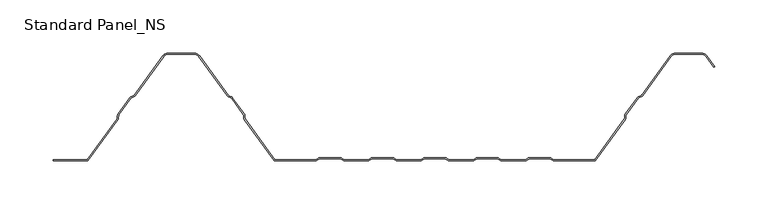
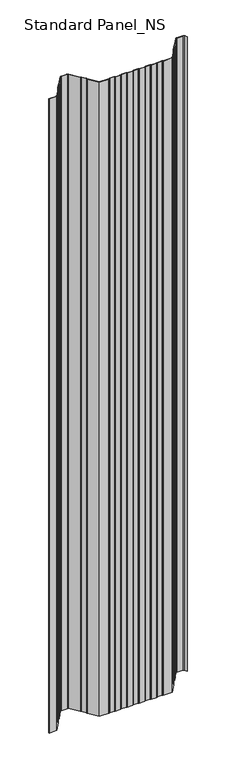
"""IFC4 building model written with IfcOpenShell, lengths in millimetres: proxy geometry, Standard Panel_NS."""

from ifc_helpers import new_model, si_unit, point, frame, frame_2d, origin, place, context, project, spatial, polyline, circle_curve, trimmed, segment, composite_curve, outline, extrude, source, transform, mapped, element, save


def standard_panel_ns_9eb97609(model_context):
    return source(origin(), model_context, "Body", "SweptSolid", [
        extrude(outline(composite_curve([segment(polyline([(-266.0101621, 1.0), (-238.1786697, 39.3882654)]), True, "CONTINUOUS"), segment(trimmed(circle_curve(frame_2d((-239.5943584, 40.4146398)), 1.7486049), [point((-238.1786697, 39.3882654))], [point((-237.8471041, 40.3459275))], True, "CARTESIAN"), True, "CONTINUOUS"), segment(polyline([(-237.8471041, 40.3459275), (-237.7589288, 42.5881001)]), True, "CONTINUOUS"), segment(trimmed(circle_curve(frame_2d((-235.0124468, 42.4800924)), 2.7486049), [point((-237.7589288, 42.5881001))], [point((-237.237746, 44.0934344))], False, "CARTESIAN"), True, "CONTINUOUS"), segment(polyline([(-237.237746, 44.0934344), (-226.1199169, 59.4283711)]), True, "CONTINUOUS"), segment(trimmed(circle_curve(frame_2d((-223.8946177, 57.8150291)), 2.7486049), [point((-226.1199169, 59.4283711))], [point((-224.8512575, 60.3917847))], False, "CARTESIAN"), True, "CONTINUOUS"), segment(polyline([(-224.8512575, 60.3917847), (-222.7476461, 61.1727662)]), True, "CONTINUOUS"), segment(trimmed(circle_curve(frame_2d((-223.3562403, 62.8120441)), 1.7486049), [point((-222.7476461, 61.1727662))], [point((-221.9405515, 61.7856697))], True, "CARTESIAN"), True, "CONTINUOUS"), segment(polyline([(-221.9405515, 61.7856697), (-195.3068531, 98.5218054)]), True, "CONTINUOUS"), segment(trimmed(circle_curve(frame_2d((-190.4491905, 95.0)), 6.0), [point((-195.3068531, 98.5218054))], [point((-190.4491905, 101.0))], False, "CARTESIAN"), True, "CONTINUOUS"), segment(polyline([(-190.4491905, 101.0), (-165.5508098, 101.0)]), True, "CONTINUOUS"), segment(trimmed(circle_curve(frame_2d((-165.5508098, 95.0)), 6.0), [point((-165.5508098, 101.0))], [point((-160.6931472, 98.5218054))], False, "CARTESIAN"), True, "CONTINUOUS"), segment(polyline([(-160.6931472, 98.5218054), (-134.0594488, 61.7856697)]), True, "CONTINUOUS"), segment(trimmed(circle_curve(frame_2d((-132.64376, 62.8120441)), 1.7486049), [point((-134.0594488, 61.7856697))], [point((-133.2523542, 61.1727662))], True, "CARTESIAN"), True, "CONTINUOUS"), segment(polyline([(-133.2523542, 61.1727662), (-131.1487428, 60.3917847)]), True, "CONTINUOUS"), segment(trimmed(circle_curve(frame_2d((-132.1053826, 57.8150291)), 2.7486049), [point((-131.1487428, 60.3917847))], [point((-129.8800834, 59.4283711))], False, "CARTESIAN"), True, "CONTINUOUS"), segment(polyline([(-129.8800834, 59.4283711), (-118.7622543, 44.0934344)]), True, "CONTINUOUS"), segment(trimmed(circle_curve(frame_2d((-120.9875535, 42.4800924)), 2.7486049), [point((-118.7622543, 44.0934344))], [point((-118.2410715, 42.5881001))], False, "CARTESIAN"), True, "CONTINUOUS"), segment(polyline([(-118.2410715, 42.5881001), (-118.1528962, 40.3459275)]), True, "CONTINUOUS"), segment(trimmed(circle_curve(frame_2d((-116.4056419, 40.4146398)), 1.7486049), [point((-118.1528962, 40.3459275))], [point((-117.8213306, 39.3882654))], True, "CARTESIAN"), True, "CONTINUOUS"), segment(polyline([(-117.8213306, 39.3882654), (-89.9898382, 1.0), (-52.1655441, 1.0)]), True, "CONTINUOUS"), segment(trimmed(circle_curve(frame_2d((-52.1655441, 2.7486049)), 1.7486049), [point((-52.1655441, 1.0))], [point((-51.1955926, 1.2936777))], True, "CARTESIAN"), True, "CONTINUOUS"), segment(polyline([(-51.1955926, 1.2936777), (-49.3285502, 2.5383726)]), True, "CONTINUOUS"), segment(trimmed(circle_curve(frame_2d((-47.8038985, 0.2513951)), 2.7486049), [point((-49.3285502, 2.5383726))], [point((-47.8038985, 3.0))], False, "CARTESIAN"), True, "CONTINUOUS"), segment(polyline([(-47.8038985, 3.0), (-28.8627684, 3.0)]), True, "CONTINUOUS"), segment(trimmed(circle_curve(frame_2d((-28.8627684, 0.2513951)), 2.7486049), [point((-28.8627684, 3.0))], [point((-27.3381168, 2.5383726))], False, "CARTESIAN"), True, "CONTINUOUS"), segment(polyline([(-27.3381168, 2.5383726), (-25.4710744, 1.2936777)]), True, "CONTINUOUS"), segment(trimmed(circle_curve(frame_2d((-24.5011229, 2.7486049)), 1.7486049), [point((-25.4710744, 1.2936777))], [point((-24.5011229, 1.0))], True, "CARTESIAN"), True, "CONTINUOUS"), segment(polyline([(-24.5011229, 1.0), (-2.9988774, 1.0)]), True, "CONTINUOUS"), segment(trimmed(circle_curve(frame_2d((-2.9988774, 2.7486049)), 1.7486049), [point((-2.9988774, 1.0))], [point((-2.0289259, 1.2936777))], True, "CARTESIAN"), True, "CONTINUOUS"), segment(polyline([(-2.0289259, 1.2936777), (-0.1618835, 2.5383726)]), True, "CONTINUOUS"), segment(trimmed(circle_curve(frame_2d((1.3627681, 0.2513951)), 2.7486049), [point((-0.1618835, 2.5383726))], [point((1.3627681, 3.0))], False, "CARTESIAN"), True, "CONTINUOUS"), segment(polyline([(1.3627681, 3.0), (20.3038982, 3.0)]), True, "CONTINUOUS"), segment(trimmed(circle_curve(frame_2d((20.3038982, 0.2513951)), 2.7486049), [point((20.3038982, 3.0))], [point((21.8285499, 2.5383726))], False, "CARTESIAN"), True, "CONTINUOUS"), segment(polyline([(21.8285499, 2.5383726), (23.6955923, 1.2936777)]), True, "CONTINUOUS"), segment(trimmed(circle_curve(frame_2d((24.6655438, 2.7486049)), 1.7486049), [point((23.6955923, 1.2936777))], [point((24.6655438, 1.0))], True, "CARTESIAN"), True, "CONTINUOUS"), segment(polyline([(24.6655438, 1.0), (46.1677892, 1.0)]), True, "CONTINUOUS"), segment(trimmed(circle_curve(frame_2d((46.1677892, 2.7486049)), 1.7486049), [point((46.1677892, 1.0))], [point((47.1377407, 1.2936777))], True, "CARTESIAN"), True, "CONTINUOUS"), segment(polyline([(47.1377407, 1.2936777), (49.0047831, 2.5383726)]), True, "CONTINUOUS"), segment(trimmed(circle_curve(frame_2d((50.5294348, 0.2513951)), 2.7486049), [point((49.0047831, 2.5383726))], [point((50.5294348, 3.0))], False, "CARTESIAN"), True, "CONTINUOUS"), segment(polyline([(50.5294348, 3.0), (69.4705649, 3.0)]), True, "CONTINUOUS"), segment(trimmed(circle_curve(frame_2d((69.4705649, 0.2513951)), 2.7486049), [point((69.4705649, 3.0))], [point((70.9952166, 2.5383726))], False, "CARTESIAN"), True, "CONTINUOUS"), segment(polyline([(70.9952166, 2.5383726), (72.862259, 1.2936777)]), True, "CONTINUOUS"), segment(trimmed(circle_curve(frame_2d((73.8322104, 2.7486049)), 1.7486049), [point((72.862259, 1.2936777))], [point((73.8322104, 1.0))], True, "CARTESIAN"), True, "CONTINUOUS"), segment(polyline([(73.8322104, 1.0), (95.3344559, 1.0)]), True, "CONTINUOUS"), segment(trimmed(circle_curve(frame_2d((95.3344559, 2.7486049)), 1.7486049), [point((95.3344559, 1.0))], [point((96.3044074, 1.2936777))], True, "CARTESIAN"), True, "CONTINUOUS"), segment(polyline([(96.3044074, 1.2936777), (98.1714498, 2.5383726)]), True, "CONTINUOUS"), segment(trimmed(circle_curve(frame_2d((99.6961015, 0.2513951)), 2.7486049), [point((98.1714498, 2.5383726))], [point((99.6961015, 3.0))], False, "CARTESIAN"), True, "CONTINUOUS"), segment(polyline([(99.6961015, 3.0), (118.6372316, 3.0)]), True, "CONTINUOUS"), segment(trimmed(circle_curve(frame_2d((118.6372316, 0.2513951)), 2.7486049), [point((118.6372316, 3.0))], [point((120.1618832, 2.5383726))], False, "CARTESIAN"), True, "CONTINUOUS"), segment(polyline([(120.1618832, 2.5383726), (122.0289256, 1.2936777)]), True, "CONTINUOUS"), segment(trimmed(circle_curve(frame_2d((122.9988771, 2.7486049)), 1.7486049), [point((122.0289256, 1.2936777))], [point((122.9988771, 1.0))], True, "CARTESIAN"), True, "CONTINUOUS"), segment(polyline([(122.9988771, 1.0), (144.5011226, 1.0)]), True, "CONTINUOUS"), segment(trimmed(circle_curve(frame_2d((144.5011226, 2.7486049)), 1.7486049), [point((144.5011226, 1.0))], [point((145.4710741, 1.2936777))], True, "CARTESIAN"), True, "CONTINUOUS"), segment(polyline([(145.4710741, 1.2936777), (147.3381165, 2.5383726)]), True, "CONTINUOUS"), segment(trimmed(circle_curve(frame_2d((148.8627681, 0.2513951)), 2.7486049), [point((147.3381165, 2.5383726))], [point((148.8627681, 3.0))], False, "CARTESIAN"), True, "CONTINUOUS"), segment(polyline([(148.8627681, 3.0), (167.8038982, 3.0)]), True, "CONTINUOUS"), segment(trimmed(circle_curve(frame_2d((167.8038982, 0.2513951)), 2.7486049), [point((167.8038982, 3.0))], [point((169.3285499, 2.5383726))], False, "CARTESIAN"), True, "CONTINUOUS"), segment(polyline([(169.3285499, 2.5383726), (171.1955923, 1.2936777)]), True, "CONTINUOUS"), segment(trimmed(circle_curve(frame_2d((172.1655438, 2.7486049)), 1.7486049), [point((171.1955923, 1.2936777))], [point((172.1655438, 1.0))], True, "CARTESIAN"), True, "CONTINUOUS"), segment(polyline([(172.1655438, 1.0), (209.9898379, 1.0), (237.8213303, 39.3882654)]), True, "CONTINUOUS"), segment(trimmed(circle_curve(frame_2d((236.4056416, 40.4146398)), 1.7486049), [point((237.8213303, 39.3882654))], [point((238.1528959, 40.3459275))], True, "CARTESIAN"), True, "CONTINUOUS"), segment(polyline([(238.1528959, 40.3459275), (238.2410712, 42.5881001)]), True, "CONTINUOUS"), segment(trimmed(circle_curve(frame_2d((240.9875532, 42.4800924)), 2.7486049), [point((238.2410712, 42.5881001))], [point((238.762254, 44.0934344))], False, "CARTESIAN"), True, "CONTINUOUS"), segment(polyline([(238.762254, 44.0934344), (249.8800831, 59.4283711)]), True, "CONTINUOUS"), segment(trimmed(circle_curve(frame_2d((252.1053823, 57.8150291)), 2.7486049), [point((249.8800831, 59.4283711))], [point((251.1487425, 60.3917847))], False, "CARTESIAN"), True, "CONTINUOUS"), segment(polyline([(251.1487425, 60.3917847), (253.2523539, 61.1727662)]), True, "CONTINUOUS"), segment(trimmed(circle_curve(frame_2d((252.6437597, 62.8120441)), 1.7486049), [point((253.2523539, 61.1727662))], [point((254.0594485, 61.7856697))], True, "CARTESIAN"), True, "CONTINUOUS"), segment(polyline([(254.0594485, 61.7856697), (280.6931469, 98.5218054)]), True, "CONTINUOUS"), segment(trimmed(circle_curve(frame_2d((285.5508095, 95.0)), 6.0), [point((280.6931469, 98.5218054))], [point((285.5508095, 101.0))], False, "CARTESIAN"), True, "CONTINUOUS"), segment(polyline([(285.5508095, 101.0), (310.4491902, 101.0)]), True, "CONTINUOUS"), segment(trimmed(circle_curve(frame_2d((310.4491902, 95.0)), 6.0), [point((310.4491902, 101.0))], [point((315.3068528, 98.5218054))], False, "CARTESIAN"), True, "CONTINUOUS"), segment(polyline([(315.3068528, 98.5218054), (322.6141239, 88.4428109), (321.8045134, 87.8558433), (314.4972424, 97.9348379)]), True, "CONTINUOUS"), segment(trimmed(circle_curve(frame_2d((310.4491902, 95.0)), 5.0), [point((314.4972424, 97.9348379))], [point((310.4491902, 100.0))], True, "CARTESIAN"), True, "CONTINUOUS"), segment(polyline([(310.4491902, 100.0), (285.5508095, 100.0)]), True, "CONTINUOUS"), segment(trimmed(circle_curve(frame_2d((285.5508095, 95.0)), 5.0), [point((285.5508095, 100.0))], [point((281.5027573, 97.9348379))], True, "CARTESIAN"), True, "CONTINUOUS"), segment(polyline([(281.5027573, 97.9348379), (254.8690589, 61.1987022)]), True, "CONTINUOUS"), segment(trimmed(circle_curve(frame_2d((252.6437597, 62.8120441)), 2.7486049), [point((254.8690589, 61.1987022))], [point((253.6003995, 60.2352885))], False, "CARTESIAN"), True, "CONTINUOUS"), segment(polyline([(253.6003995, 60.2352885), (251.4967881, 59.4543071)]), True, "CONTINUOUS"), segment(trimmed(circle_curve(frame_2d((252.1053823, 57.8150291)), 1.7486049), [point((251.4967881, 59.4543071))], [point((250.6896935, 58.8414035))], True, "CARTESIAN"), True, "CONTINUOUS"), segment(polyline([(250.6896935, 58.8414035), (239.5718644, 43.5064668)]), True, "CONTINUOUS"), segment(trimmed(circle_curve(frame_2d((240.9875532, 42.4800924)), 1.7486049), [point((239.5718644, 43.5064668))], [point((239.2402989, 42.5488047))], True, "CARTESIAN"), True, "CONTINUOUS"), segment(polyline([(239.2402989, 42.5488047), (239.1521235, 40.3066321)]), True, "CONTINUOUS"), segment(trimmed(circle_curve(frame_2d((236.4056416, 40.4146398)), 2.7486049), [point((239.1521235, 40.3066321))], [point((238.6309408, 38.8012978))], False, "CARTESIAN"), True, "CONTINUOUS"), segment(polyline([(238.6309408, 38.8012978), (210.4999998, 0.0), (172.1655438, 0.0)]), True, "CONTINUOUS"), segment(trimmed(circle_curve(frame_2d((172.1655438, 2.7486049)), 2.7486049), [point((172.1655438, 0.0))], [point((170.6408921, 0.4616274))], False, "CARTESIAN"), True, "CONTINUOUS"), segment(polyline([(170.6408921, 0.4616274), (168.7738497, 1.7063223)]), True, "CONTINUOUS"), segment(trimmed(circle_curve(frame_2d((167.8038982, 0.2513951)), 1.7486049), [point((168.7738497, 1.7063223))], [point((167.8038982, 2.0))], True, "CARTESIAN"), True, "CONTINUOUS"), segment(polyline([(167.8038982, 2.0), (148.8627681, 2.0)]), True, "CONTINUOUS"), segment(trimmed(circle_curve(frame_2d((148.8627681, 0.2513951)), 1.7486049), [point((148.8627681, 2.0))], [point((147.8928167, 1.7063223))], True, "CARTESIAN"), True, "CONTINUOUS"), segment(polyline([(147.8928167, 1.7063223), (146.0257743, 0.4616274)]), True, "CONTINUOUS"), segment(trimmed(circle_curve(frame_2d((144.5011226, 2.7486049)), 2.7486049), [point((146.0257743, 0.4616274))], [point((144.5011226, 0.0))], False, "CARTESIAN"), True, "CONTINUOUS"), segment(polyline([(144.5011226, 0.0), (122.9988771, 0.0)]), True, "CONTINUOUS"), segment(trimmed(circle_curve(frame_2d((122.9988771, 2.7486049)), 2.7486049), [point((122.9988771, 0.0))], [point((121.4742254, 0.4616274))], False, "CARTESIAN"), True, "CONTINUOUS"), segment(polyline([(121.4742254, 0.4616274), (119.607183, 1.7063223)]), True, "CONTINUOUS"), segment(trimmed(circle_curve(frame_2d((118.6372316, 0.2513951)), 1.7486049), [point((119.607183, 1.7063223))], [point((118.6372316, 2.0))], True, "CARTESIAN"), True, "CONTINUOUS"), segment(polyline([(118.6372316, 2.0), (99.6961015, 2.0)]), True, "CONTINUOUS"), segment(trimmed(circle_curve(frame_2d((99.6961015, 0.2513951)), 1.7486049), [point((99.6961015, 2.0))], [point((98.72615, 1.7063223))], True, "CARTESIAN"), True, "CONTINUOUS"), segment(polyline([(98.72615, 1.7063223), (96.8591076, 0.4616274)]), True, "CONTINUOUS"), segment(trimmed(circle_curve(frame_2d((95.3344559, 2.7486049)), 2.7486049), [point((96.8591076, 0.4616274))], [point((95.3344559, 0.0))], False, "CARTESIAN"), True, "CONTINUOUS"), segment(polyline([(95.3344559, 0.0), (73.8322104, 0.0)]), True, "CONTINUOUS"), segment(trimmed(circle_curve(frame_2d((73.8322104, 2.7486049)), 2.7486049), [point((73.8322104, 0.0))], [point((72.3075588, 0.4616274))], False, "CARTESIAN"), True, "CONTINUOUS"), segment(polyline([(72.3075588, 0.4616274), (70.4405164, 1.7063223)]), True, "CONTINUOUS"), segment(trimmed(circle_curve(frame_2d((69.4705649, 0.2513951)), 1.7486049), [point((70.4405164, 1.7063223))], [point((69.4705649, 2.0))], True, "CARTESIAN"), True, "CONTINUOUS"), segment(polyline([(69.4705649, 2.0), (50.5294348, 2.0)]), True, "CONTINUOUS"), segment(trimmed(circle_curve(frame_2d((50.5294348, 0.2513951)), 1.7486049), [point((50.5294348, 2.0))], [point((49.5594833, 1.7063223))], True, "CARTESIAN"), True, "CONTINUOUS"), segment(polyline([(49.5594833, 1.7063223), (47.6924409, 0.4616274)]), True, "CONTINUOUS"), segment(trimmed(circle_curve(frame_2d((46.1677892, 2.7486049)), 2.7486049), [point((47.6924409, 0.4616274))], [point((46.1677892, 0.0))], False, "CARTESIAN"), True, "CONTINUOUS"), segment(polyline([(46.1677892, 0.0), (24.6655438, 0.0)]), True, "CONTINUOUS"), segment(trimmed(circle_curve(frame_2d((24.6655438, 2.7486049)), 2.7486049), [point((24.6655438, 0.0))], [point((23.1408921, 0.4616274))], False, "CARTESIAN"), True, "CONTINUOUS"), segment(polyline([(23.1408921, 0.4616274), (21.2738497, 1.7063223)]), True, "CONTINUOUS"), segment(trimmed(circle_curve(frame_2d((20.3038982, 0.2513951)), 1.7486049), [point((21.2738497, 1.7063223))], [point((20.3038982, 2.0))], True, "CARTESIAN"), True, "CONTINUOUS"), segment(polyline([(20.3038982, 2.0), (1.3627681, 2.0)]), True, "CONTINUOUS"), segment(trimmed(circle_curve(frame_2d((1.3627681, 0.2513951)), 1.7486049), [point((1.3627681, 2.0))], [point((0.3928167, 1.7063223))], True, "CARTESIAN"), True, "CONTINUOUS"), segment(polyline([(0.3928167, 1.7063223), (-1.4742257, 0.4616274)]), True, "CONTINUOUS"), segment(trimmed(circle_curve(frame_2d((-2.9988774, 2.7486049)), 2.7486049), [point((-1.4742257, 0.4616274))], [point((-2.9988774, 0.0))], False, "CARTESIAN"), True, "CONTINUOUS"), segment(polyline([(-2.9988774, 0.0), (-24.5011229, 0.0)]), True, "CONTINUOUS"), segment(trimmed(circle_curve(frame_2d((-24.5011229, 2.7486049)), 2.7486049), [point((-24.5011229, 0.0))], [point((-26.0257746, 0.4616274))], False, "CARTESIAN"), True, "CONTINUOUS"), segment(polyline([(-26.0257746, 0.4616274), (-27.892817, 1.7063223)]), True, "CONTINUOUS"), segment(trimmed(circle_curve(frame_2d((-28.8627684, 0.2513951)), 1.7486049), [point((-27.892817, 1.7063223))], [point((-28.8627684, 2.0))], True, "CARTESIAN"), True, "CONTINUOUS"), segment(polyline([(-28.8627684, 2.0), (-47.8038985, 2.0)]), True, "CONTINUOUS"), segment(trimmed(circle_curve(frame_2d((-47.8038985, 0.2513951)), 1.7486049), [point((-47.8038985, 2.0))], [point((-48.77385, 1.7063223))], True, "CARTESIAN"), True, "CONTINUOUS"), segment(polyline([(-48.77385, 1.7063223), (-50.6408924, 0.4616274)]), True, "CONTINUOUS"), segment(trimmed(circle_curve(frame_2d((-52.1655441, 2.7486049)), 2.7486049), [point((-50.6408924, 0.4616274))], [point((-52.1655441, 0.0))], False, "CARTESIAN"), True, "CONTINUOUS"), segment(polyline([(-52.1655441, 0.0), (-90.5000002, 0.0), (-118.6309411, 38.8012978)]), True, "CONTINUOUS"), segment(trimmed(circle_curve(frame_2d((-116.4056419, 40.4146398)), 2.7486049), [point((-118.6309411, 38.8012978))], [point((-119.1521238, 40.3066321))], False, "CARTESIAN"), True, "CONTINUOUS"), segment(polyline([(-119.1521238, 40.3066321), (-119.2402992, 42.5488047)]), True, "CONTINUOUS"), segment(trimmed(circle_curve(frame_2d((-120.9875535, 42.4800924)), 1.7486049), [point((-119.2402992, 42.5488047))], [point((-119.5718647, 43.5064668))], True, "CARTESIAN"), True, "CONTINUOUS"), segment(polyline([(-119.5718647, 43.5064668), (-130.6896938, 58.8414035)]), True, "CONTINUOUS"), segment(trimmed(circle_curve(frame_2d((-132.1053826, 57.8150291)), 1.7486049), [point((-130.6896938, 58.8414035))], [point((-131.4967884, 59.4543071))], True, "CARTESIAN"), True, "CONTINUOUS"), segment(polyline([(-131.4967884, 59.4543071), (-133.6003998, 60.2352885)]), True, "CONTINUOUS"), segment(trimmed(circle_curve(frame_2d((-132.64376, 62.8120441)), 2.7486049), [point((-133.6003998, 60.2352885))], [point((-134.8690592, 61.1987022))], False, "CARTESIAN"), True, "CONTINUOUS"), segment(polyline([(-134.8690592, 61.1987022), (-161.5027576, 97.9348379)]), True, "CONTINUOUS"), segment(trimmed(circle_curve(frame_2d((-165.5508098, 95.0)), 5.0), [point((-161.5027576, 97.9348379))], [point((-165.5508098, 100.0))], True, "CARTESIAN"), True, "CONTINUOUS"), segment(polyline([(-165.5508098, 100.0), (-190.4491905, 100.0)]), True, "CONTINUOUS"), segment(trimmed(circle_curve(frame_2d((-190.4491905, 95.0)), 5.0), [point((-190.4491905, 100.0))], [point((-194.4972427, 97.9348379))], True, "CARTESIAN"), True, "CONTINUOUS"), segment(polyline([(-194.4972427, 97.9348379), (-221.1309411, 61.1987022)]), True, "CONTINUOUS"), segment(trimmed(circle_curve(frame_2d((-223.3562403, 62.8120441)), 2.7486049), [point((-221.1309411, 61.1987022))], [point((-222.3996005, 60.2352885))], False, "CARTESIAN"), True, "CONTINUOUS"), segment(polyline([(-222.3996005, 60.2352885), (-224.5032119, 59.4543071)]), True, "CONTINUOUS"), segment(trimmed(circle_curve(frame_2d((-223.8946177, 57.8150291)), 1.7486049), [point((-224.5032119, 59.4543071))], [point((-225.3103065, 58.8414035))], True, "CARTESIAN"), True, "CONTINUOUS"), segment(polyline([(-225.3103065, 58.8414035), (-236.4281356, 43.5064668)]), True, "CONTINUOUS"), segment(trimmed(circle_curve(frame_2d((-235.0124468, 42.4800924)), 1.7486049), [point((-236.4281356, 43.5064668))], [point((-236.7597011, 42.5488047))], True, "CARTESIAN"), True, "CONTINUOUS"), segment(polyline([(-236.7597011, 42.5488047), (-236.8478765, 40.3066321)]), True, "CONTINUOUS"), segment(trimmed(circle_curve(frame_2d((-239.5943584, 40.4146398)), 2.7486049), [point((-236.8478765, 40.3066321))], [point((-237.3690592, 38.8012978))], False, "CARTESIAN"), True, "CONTINUOUS"), segment(polyline([(-237.3690592, 38.8012978), (-265.5000002, 0.0), (-297.9999998, 0.0), (-297.9999998, 1.0), (-266.0101621, 1.0)]), True, "CONTINUOUS")], self_intersect=False)), frame((0.0, 0.0, -250.0), z_axis=(0.0, 0.0, 1.0), x_axis=(1.0, 0.0, 0.0)), (0.0, 0.0, 1.0), 2762.4689053),
    ])


if __name__ == "__main__":
    model = new_model("IFC4")
    model_context = context("Model", 3, world=origin())
    ifc_project = project(units=[si_unit("LENGTHUNIT", "METRE", prefix="MILLI")], contexts=[model_context])
    site = spatial("IfcSite", under=ifc_project)
    building = spatial("IfcBuilding", under=site)
    placement = place(None, origin())
    standard_panel_ns_shape = standard_panel_ns_9eb97609(model_context)
    element("IfcBuildingElementProxy", 1, Name="Standard Panel_NS", ObjectType="Standard Panel_NS", at=placement, inside=building, context=model_context, shape_type="MappedRepresentation", body=[
        mapped(standard_panel_ns_shape, transform((0.0, 0.0, 0.0), x_axis=(1.0, 0.0, 0.0), y_axis=(0.0, 1.0, 0.0), z_axis=(0.0, 0.0, 1.0))),
    ])
    save(model, "model.ifc")
